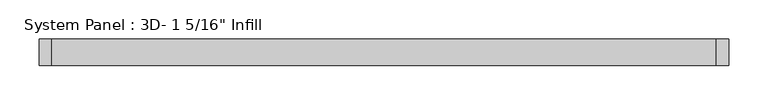
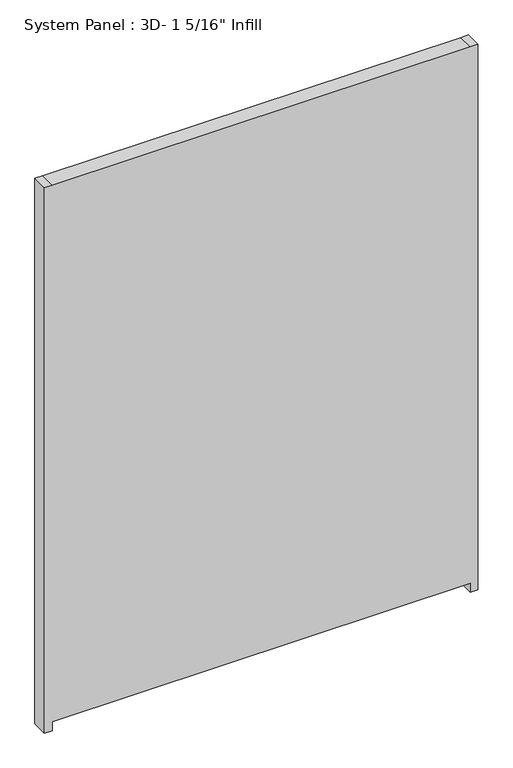
"""IFC4 building model written with IfcOpenShell, lengths in millimetres: plate geometry."""

from ifc_helpers import new_model, si_unit, frame, origin, place, context, project, spatial, polyline, outline, extrude, source, transform, mapped, element, save


def plate_18c0c0d3(model_context):
    return source(origin(), model_context, "Body", "SweptSolid", [
        extrude(outline(polyline([(0.0, -438.1038418), (0.0, -422.3211582), (19.05, -422.3211582), (19.05, 422.2288418), (0.0, 422.2288418), (0.0, 438.1038418), (1165.1510889, 438.1038418), (1165.1510889, 422.2288418), (1165.1510889, -422.3211582), (1165.1510889, -438.1038418), (0.0, -438.1038418)])), frame((0.0, -16.66875, 0.0), z_axis=(0.0, 1.0, 0.0), x_axis=(0.0, 0.0, 1.0)), (0.0, 0.0, 1.0), 33.3375),
    ])


if __name__ == "__main__":
    model = new_model("IFC4")
    model_context = context("Model", 3, world=origin())
    ifc_project = project(units=[si_unit("LENGTHUNIT", "METRE", prefix="MILLI")], contexts=[model_context])
    site = spatial("IfcSite", under=ifc_project)
    building = spatial("IfcBuilding", under=site)
    placement = place(None, origin())
    plate_shape = plate_18c0c0d3(model_context)
    element("IfcPlate", 1, ObjectType="System Panel : 3D- 1 5/16\" Infill", at=placement, inside=building, context=model_context, shape_type="MappedRepresentation", body=[
        mapped(plate_shape, transform((0.0, 0.0, 0.0), x_axis=(1.0, 0.0, 0.0), y_axis=(0.0, 1.0, 0.0), z_axis=(0.0, 0.0, 1.0))),
    ])
    save(model, "model.ifc")
